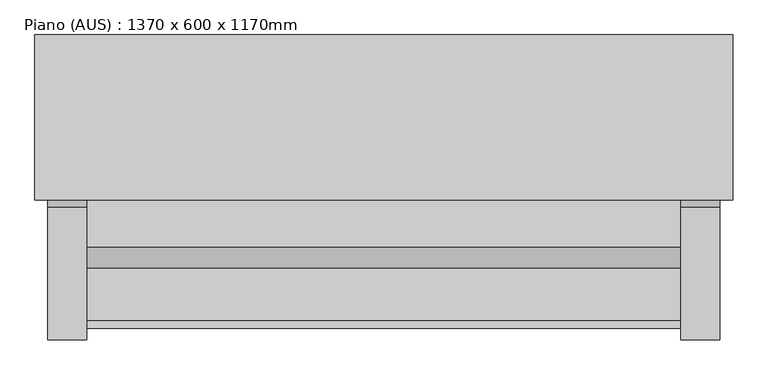
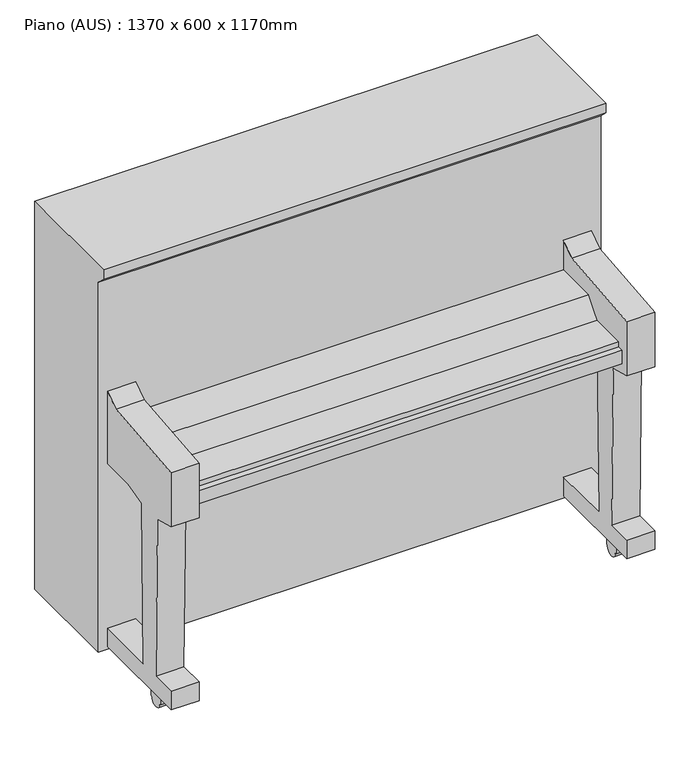
"""IFC4 building model written with IfcOpenShell, lengths in millimetres: furniture geometry, Piano (AUS) : 1370 x 600 x 1170mm."""

from ifc_helpers import new_model, si_unit, point, frame, frame_2d, origin, place, context, project, spatial, polyline, circle_curve, trimmed, segment, composite_curve, outline, extrude, source, transform, mapped, element, save


def piano_aus_1370_x_600_x_1170mm_223347a6(model_context):
    return source(origin(), model_context, "Body", "SweptSolid", [
        extrude(outline(composite_curve([segment(polyline([(-507.8537238, 58.4233062), (-498.4, 58.4233062), (-489.041203, 58.4233062), (-489.041203, 38.2794625), (-475.8400261, 38.2794625), (-475.8400261, 19.1397313), (-479.2602687, 19.1397313)]), True, "CONTINUOUS"), segment(trimmed(circle_curve(frame_2d((-498.4, 19.1397313)), 19.1397313), [point((-479.2602687, 19.1397313))], [point((-517.5397313, 19.1397313))], False, "CARTESIAN"), True, "CONTINUOUS"), segment(polyline([(-517.5397313, 19.1397313), (-520.9599739, 19.1397313), (-520.9599739, 38.2794625), (-507.8537238, 38.2794625), (-507.8537238, 58.4233062)]), True, "CONTINUOUS")], self_intersect=False)), frame((-865.8044137, 0.0, 0.0), z_axis=(1.0, 0.0, 0.0), x_axis=(0.0, 1.0, 0.0)), (0.0, 0.0, 1.0), 38.9347436),
        extrude(outline(composite_curve([segment(polyline([(-60.2537238, 50.8), (-50.8, 50.8), (-41.441203, 50.8), (-41.441203, 38.2794625), (-28.2400261, 38.2794625), (-28.2400261, 19.1397313), (-31.6602687, 19.1397313)]), True, "CONTINUOUS"), segment(trimmed(circle_curve(frame_2d((-50.8, 19.1397313)), 19.1397313), [point((-31.6602687, 19.1397313))], [point((-69.9397313, 19.1397313))], False, "CARTESIAN"), True, "CONTINUOUS"), segment(polyline([(-69.9397313, 19.1397313), (-73.3599739, 19.1397313), (-73.3599739, 38.2794625), (-60.2537238, 38.2794625), (-60.2537238, 50.8)]), True, "CONTINUOUS")], self_intersect=False)), frame((-865.8044137, 0.0, 0.0), z_axis=(1.0, 0.0, 0.0), x_axis=(0.0, 1.0, 0.0)), (0.0, 0.0, 1.0), 38.9347436),
        extrude(outline(composite_curve([segment(polyline([(-60.2537238, 50.8), (-50.8, 50.8), (-41.441203, 50.8), (-41.441203, 38.2794625), (-28.2400261, 38.2794625), (-28.2400261, 19.1397313), (-31.6602687, 19.1397313)]), True, "CONTINUOUS"), segment(trimmed(circle_curve(frame_2d((-50.8, 19.1397313)), 19.1397313), [point((-31.6602687, 19.1397313))], [point((-69.9397313, 19.1397313))], False, "CARTESIAN"), True, "CONTINUOUS"), segment(polyline([(-69.9397313, 19.1397313), (-73.3599739, 19.1397313), (-73.3599739, 38.2794625), (-60.2537238, 38.2794625), (-60.2537238, 50.8)]), True, "CONTINUOUS")], self_intersect=False)), frame((378.1307138, 0.0, 0.0), z_axis=(1.0, 0.0, 0.0), x_axis=(0.0, 1.0, 0.0)), (0.0, 0.0, 1.0), 38.1),
        extrude(outline(composite_curve([segment(polyline([(-508.0394097, 58.4233062), (-498.5856858, 58.4233062), (-489.2268889, 58.4233062), (-489.2268889, 38.2794625), (-476.025712, 38.2794625), (-476.025712, 19.1397313), (-479.4459546, 19.1397313)]), True, "CONTINUOUS"), segment(trimmed(circle_curve(frame_2d((-498.5856858, 19.1397313)), 19.1397313), [point((-479.4459546, 19.1397313))], [point((-517.7254171, 19.1397313))], False, "CARTESIAN"), True, "CONTINUOUS"), segment(polyline([(-517.7254171, 19.1397313), (-521.1456597, 19.1397313), (-521.1456597, 38.2794625), (-508.0394097, 38.2794625), (-508.0394097, 58.4233062)]), True, "CONTINUOUS")], self_intersect=False)), frame((378.1307138, 0.0, 0.0), z_axis=(1.0, 0.0, 0.0), x_axis=(0.0, 1.0, 0.0)), (0.0, 0.0, 1.0), 38.1),
        extrude(outline(polyline([(-300.0, 607.3294027), (-577.0305788, 607.3294027), (-577.0305788, 645.6946902), (-561.0450423, 645.6946902), (-561.0450423, 660.0911883), (-458.7489489, 660.0911883), (-417.1752142, 709.636836), (-300.0, 709.636836), (-300.0, 607.3294027)])), frame((-806.815625, 0.0, 0.0), z_axis=(1.0, 0.0, 0.0), x_axis=(0.0, 1.0, 0.0)), (0.0, 0.0, 1.0), 1168.4),
        extrude(outline(polyline([(-339.8060278, 767.593357), (-300.0, 795.7332541), (-300.0, 586.0464042), (-397.1713717, 586.0464042), (-460.7830624, 569.001703), (-468.757546, 112.1438465), (-300.0, 112.1438465), (-300.0, 58.4233062), (-600.0, 58.4233062), (-600.0, 112.1438465), (-528.4138257, 112.1438465), (-536.3883092, 569.001703), (-600.0, 586.0464042), (-600.0, 742.1871765), (-339.8060278, 767.593357)])), frame((361.584375, 0.0, 0.0), z_axis=(1.0, 0.0, 0.0), x_axis=(0.0, 1.0, 0.0)), (0.0, 0.0, 1.0), 76.2),
        extrude(outline(polyline([(-339.8060278, 767.593357), (-300.0, 795.7332541), (-300.0, 586.0464042), (-397.1713717, 586.0464042), (-460.7830624, 569.001703), (-468.757546, 112.1438465), (-300.0, 112.1438465), (-300.0, 58.4233062), (-600.0, 58.4233062), (-600.0, 112.1438465), (-528.4138257, 112.1438465), (-536.3883092, 569.001703), (-600.0, 586.0464042), (-600.0, 742.1871765), (-339.8060278, 767.593357)])), frame((-883.015625, 0.0, 0.0), z_axis=(1.0, 0.0, 0.0), x_axis=(0.0, 1.0, 0.0)), (0.0, 0.0, 1.0), 76.2),
        extrude(outline(polyline([(-300.0, 50.8), (-300.0, 1118.1129735), (-325.0229623, 1143.1359358), (-325.0229623, 1170.0), (0.0, 1170.0), (0.0, 50.8), (-300.0, 50.8)])), frame((-908.415625, 0.0, 0.0), z_axis=(1.0, 0.0, 0.0), x_axis=(0.0, 1.0, 0.0)), (0.0, 0.0, 1.0), 1371.6),
    ])


if __name__ == "__main__":
    model = new_model("IFC4")
    model_context = context("Model", 3, world=origin())
    ifc_project = project(units=[si_unit("LENGTHUNIT", "METRE", prefix="MILLI")], contexts=[model_context])
    site = spatial("IfcSite", under=ifc_project)
    building = spatial("IfcBuilding", under=site)
    placement = place(None, origin())
    piano_aus_1370_x_600_x_1170mm_shape = piano_aus_1370_x_600_x_1170mm_223347a6(model_context)
    element("IfcFurniture", 1, ObjectType="Piano (AUS) : 1370 x 600 x 1170mm", at=placement, inside=building, context=model_context, shape_type="MappedRepresentation", body=[
        mapped(piano_aus_1370_x_600_x_1170mm_shape, transform((0.0, 0.0, 0.0), x_axis=(1.0, 0.0, 0.0), y_axis=(0.0, 1.0, 0.0), z_axis=(0.0, 0.0, 1.0))),
    ])
    save(model, "model.ifc")
